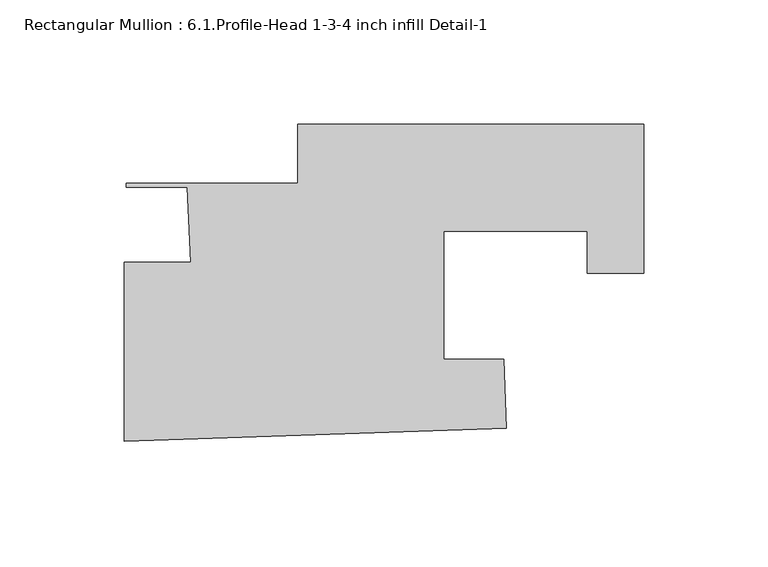
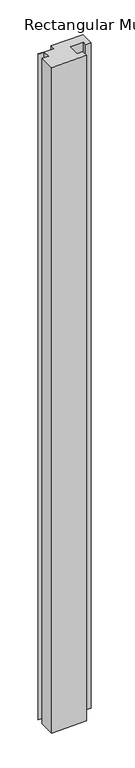
"""IFC4 building model written with IfcOpenShell, lengths in millimetres: member geometry, Rectangular Mullion : 6.1.Profile-Head 1-3-4 inch infill Detail-1."""

from ifc_helpers import new_model, si_unit, frame, origin, place, context, project, spatial, polyline, outline, extrude, source, transform, mapped, element, save


def rectangular_mullion_6_1_profile_head_1_3_4_inch_infill_9178670b(model_context):
    return source(origin(), model_context, "Body", "SweptSolid", [
        extrude(outline(polyline([(-209.0419944, -87.2813792), (-209.0419944, -15.1943195), (-182.1975356, -15.1943195), (-183.642, 14.9214499), (-208.2482444, 14.9214499), (-208.2482444, 16.4962499), (-178.3679342, 16.4962499), (-139.2211373, 16.4962499), (-139.2211373, 40.3213365), (0.0, 40.3213365), (0.0, 5.7868787), (0.0, -19.6131213), (-22.8062565, -19.6131213), (-22.8062565, -2.8057742), (-80.3910002, -2.8057742), (-80.3910002, -54.2446711), (-56.3741674, -54.2446711), (-55.4078508, -81.9163567), (-209.0419944, -87.2813792)])), frame((0.0, 0.0, -3048.0), z_axis=(0.0, 0.0, 1.0), x_axis=(1.0, 0.0, 0.0)), (0.0, 0.0, 1.0), 3048.0),
    ])


if __name__ == "__main__":
    model = new_model("IFC4")
    model_context = context("Model", 3, world=origin())
    ifc_project = project(units=[si_unit("LENGTHUNIT", "METRE", prefix="MILLI")], contexts=[model_context])
    site = spatial("IfcSite", under=ifc_project)
    building = spatial("IfcBuilding", under=site)
    placement = place(None, origin())
    rectangular_mullion_6_1_profile_head_1_3_4_inch_infill_shape = rectangular_mullion_6_1_profile_head_1_3_4_inch_infill_9178670b(model_context)
    element("IfcMember", 1, ObjectType="Rectangular Mullion : 6.1.Profile-Head 1-3-4 inch infill Detail-1", at=placement, inside=building, context=model_context, shape_type="MappedRepresentation", body=[
        mapped(rectangular_mullion_6_1_profile_head_1_3_4_inch_infill_shape, transform((0.0, 0.0, 0.0), x_axis=(1.0, 0.0, 0.0), y_axis=(0.0, 1.0, 0.0), z_axis=(0.0, 0.0, 1.0))),
    ])
    save(model, "model.ifc")
